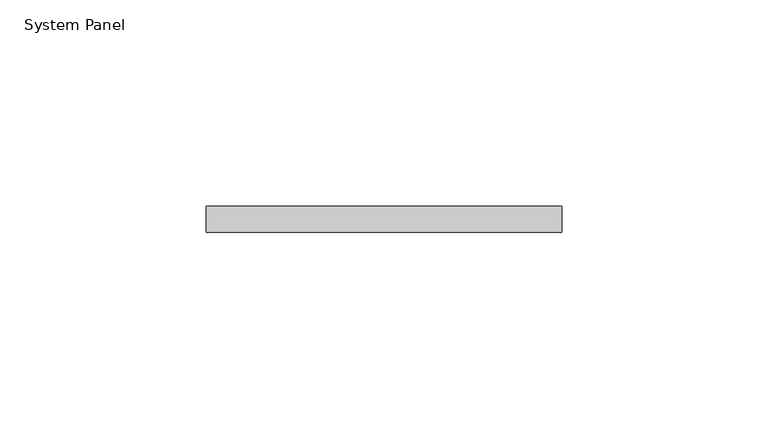
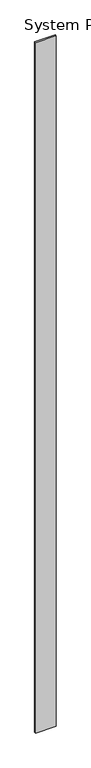
"""IFC4 building model written with IfcOpenShell, lengths in millimetres: plate geometry, System Panel."""

from ifc_helpers import new_model, si_unit, origin, origin_with_axes, place, context, project, spatial, polyline, outline, extrude, source, transform, mapped, element, save


def system_panel_ef7dcbc4(model_context):
    return source(origin(), model_context, "Body", "SweptSolid", [
        extrude(outline(polyline([(43.1487522, -6.35), (-43.1487522, -6.35), (-43.1487522, 0.0), (43.1487522, 0.0), (43.1487522, -6.35)])), origin_with_axes(), (0.0, 0.0, 1.0), 3048.0),
    ])


if __name__ == "__main__":
    model = new_model("IFC4")
    model_context = context("Model", 3, world=origin())
    ifc_project = project(units=[si_unit("LENGTHUNIT", "METRE", prefix="MILLI")], contexts=[model_context])
    site = spatial("IfcSite", under=ifc_project)
    building = spatial("IfcBuilding", under=site)
    placement = place(None, origin())
    system_panel_shape = system_panel_ef7dcbc4(model_context)
    element("IfcPlate", 1, ObjectType="System Panel", at=placement, inside=building, context=model_context, shape_type="MappedRepresentation", body=[
        mapped(system_panel_shape, transform((0.0, 0.0, 0.0), x_axis=(1.0, 0.0, 0.0), y_axis=(0.0, 1.0, 0.0), z_axis=(0.0, 0.0, 1.0))),
    ])
    save(model, "model.ifc")
